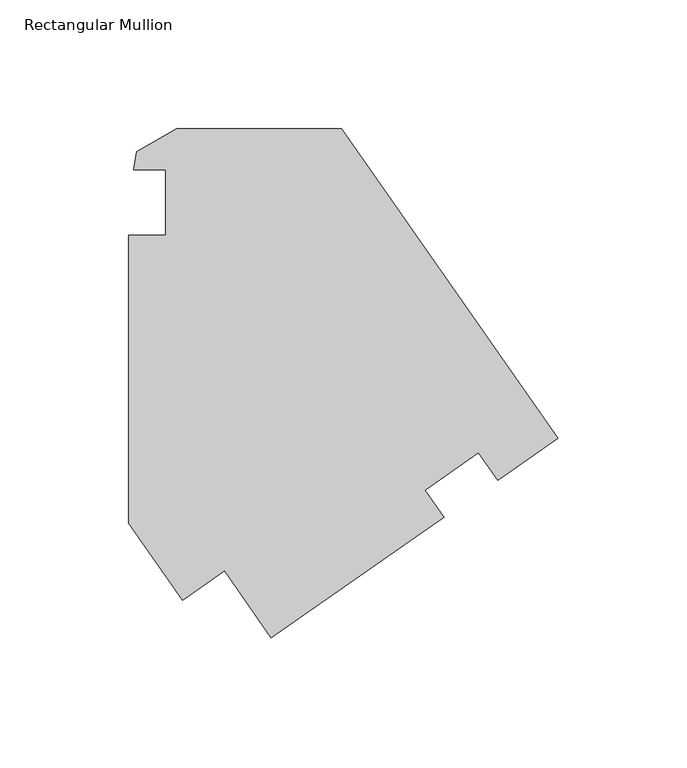
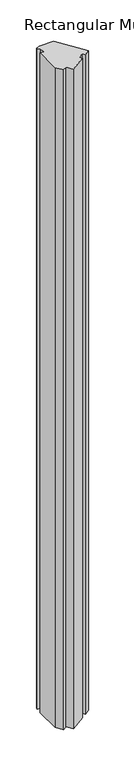
"""IFC4 building model written with IfcOpenShell, lengths in millimetres: member geometry, Rectangular Mullion."""

from ifc_helpers import new_model, si_unit, frame, origin, place, context, project, spatial, polyline, outline, extrude, source, transform, mapped, element, save


def rectangular_mullion_3f636787(model_context):
    return source(origin(), model_context, "Body", "SweptSolid", [
        extrude(outline(polyline([(-44.4038323, -122.2024767), (-111.4062886, -169.1090203), (-129.6197447, -143.1026266), (-145.8685395, -154.4823939), (-166.7994951, -124.5957721), (-166.809835, -12.745546), (-152.5246594, -12.745546), (-152.5287708, 12.6597191), (-164.8650835, 12.6585787), (-163.6306928, 19.6629426), (-148.25801, 28.5388377), (-84.1000937, 28.5492207), (0.0, -91.5168003), (-23.4169192, -107.91673), (-30.9046265, -97.2252794), (-51.6977904, -111.7876743), (-44.4038323, -122.2024767)])), frame((0.0, 0.0, -3048.0), z_axis=(0.0, 0.0, 1.0), x_axis=(1.0, 0.0, 0.0)), (0.0, 0.0, 1.0), 3048.0),
    ])


if __name__ == "__main__":
    model = new_model("IFC4")
    model_context = context("Model", 3, world=origin())
    ifc_project = project(units=[si_unit("LENGTHUNIT", "METRE", prefix="MILLI")], contexts=[model_context])
    site = spatial("IfcSite", under=ifc_project)
    building = spatial("IfcBuilding", under=site)
    placement = place(None, origin())
    rectangular_mullion_shape = rectangular_mullion_3f636787(model_context)
    element("IfcMember", 1, ObjectType="Rectangular Mullion", at=placement, inside=building, context=model_context, shape_type="MappedRepresentation", body=[
        mapped(rectangular_mullion_shape, transform((0.0, 0.0, 0.0), x_axis=(1.0, 0.0, 0.0), y_axis=(0.0, 1.0, 0.0), z_axis=(0.0, 0.0, 1.0))),
    ])
    save(model, "model.ifc")
